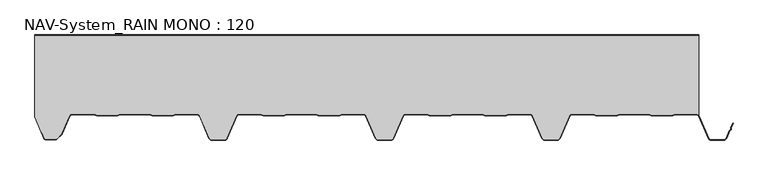
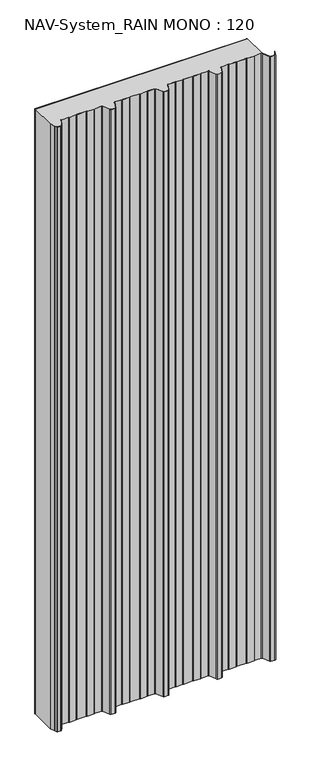
"""IFC4 building model written with IfcOpenShell, lengths in millimetres: plate geometry, NAV-System_RAIN MONO : 120."""

from ifc_helpers import new_model, si_unit, point, frame_2d, origin, origin_with_axes, place, context, project, spatial, polyline, circle_curve, trimmed, segment, composite_curve, outline, extrude, source, transform, mapped, element, save


def nav_system_rain_mono_120_0b7bdaaf(model_context):
    return source(origin(), model_context, "Body", "SweptSolid", [
        extrude(outline(polyline([(519.0, -0.8), (-478.0, -0.8), (-478.0, 0.0), (519.0, 0.0), (519.0, -0.8)])), origin_with_axes(), (0.0, 0.0, 1.0), 3000.0),
        extrude(outline(composite_curve([segment(trimmed(circle_curve(frame_2d((515.5898022, -124.0)), 4.8), [point((519.0, -120.6220493))], [point((515.5898022, -119.2))], True, "CARTESIAN"), True, "CONTINUOUS"), segment(polyline([(515.5898022, -119.2), (483.6922468, -119.2), (479.6508228, -120.7), (448.0723788, -120.6741102), (444.1768702, -119.2), (400.3589135, -119.2), (396.3174895, -120.7), (364.7390455, -120.6741102), (360.8435369, -119.2), (328.9416341, -119.2)]), True, "CONTINUOUS"), segment(trimmed(circle_curve(frame_2d((328.9416341, -124.0)), 4.8), [point((328.9416341, -119.2))], [point((324.5314363, -122.1052295))], True, "CARTESIAN"), True, "CONTINUOUS"), segment(polyline([(324.5314363, -122.1052295), (310.330878, -155.1579242)]), True, "CONTINUOUS"), segment(trimmed(circle_curve(frame_2d((306.4719549, -153.5)), 4.2), [point((310.330878, -155.1579242))], [point((306.4719549, -157.7))], False, "CARTESIAN"), True, "CONTINUOUS"), segment(polyline([(306.4719549, -157.7), (288.0594814, -157.7)]), True, "CONTINUOUS"), segment(trimmed(circle_curve(frame_2d((288.0594814, -153.5)), 4.2), [point((288.0594814, -157.7))], [point((284.2005583, -155.1579242))], False, "CARTESIAN"), True, "CONTINUOUS"), segment(polyline([(284.2005583, -155.1579242), (270.0, -122.1052295)]), True, "CONTINUOUS"), segment(trimmed(circle_curve(frame_2d((265.5898022, -124.0)), 4.8), [point((270.0, -122.1052295))], [point((265.5898022, -119.2))], True, "CARTESIAN"), True, "CONTINUOUS"), segment(polyline([(265.5898022, -119.2), (233.6922468, -119.2), (229.6508228, -120.7), (198.0723788, -120.6741102), (194.1768702, -119.2), (150.3589135, -119.2), (146.3174895, -120.7), (114.8074622, -120.7), (110.8435369, -119.2), (78.9416341, -119.2)]), True, "CONTINUOUS"), segment(trimmed(circle_curve(frame_2d((78.9416341, -124.0)), 4.8), [point((78.9416341, -119.2))], [point((74.5314363, -122.1052295))], True, "CARTESIAN"), True, "CONTINUOUS"), segment(polyline([(74.5314363, -122.1052295), (60.330878, -155.1579242)]), True, "CONTINUOUS"), segment(trimmed(circle_curve(frame_2d((56.4719549, -153.5)), 4.2), [point((60.330878, -155.1579242))], [point((56.4719549, -157.7))], False, "CARTESIAN"), True, "CONTINUOUS"), segment(polyline([(56.4719549, -157.7), (38.0594814, -157.7)]), True, "CONTINUOUS"), segment(trimmed(circle_curve(frame_2d((38.0594814, -153.5)), 4.2), [point((38.0594814, -157.7))], [point((34.2005583, -155.1579242))], False, "CARTESIAN"), True, "CONTINUOUS"), segment(polyline([(34.2005583, -155.1579242), (20.0, -122.1052295)]), True, "CONTINUOUS"), segment(trimmed(circle_curve(frame_2d((15.5898022, -124.0)), 4.8), [point((20.0, -122.1052295))], [point((15.5898022, -119.2))], True, "CARTESIAN"), True, "CONTINUOUS"), segment(polyline([(15.5898022, -119.2), (-16.3077532, -119.2), (-20.3491772, -120.7), (-51.9276212, -120.6741102), (-55.8231298, -119.2), (-99.6410865, -119.2), (-103.6825105, -120.7), (-135.1925378, -120.7), (-139.1564631, -119.2), (-171.0583659, -119.2)]), True, "CONTINUOUS"), segment(trimmed(circle_curve(frame_2d((-171.0583659, -124.0)), 4.8), [point((-171.0583659, -119.2))], [point((-175.4685637, -122.1052295))], True, "CARTESIAN"), True, "CONTINUOUS"), segment(polyline([(-175.4685637, -122.1052295), (-189.669122, -155.1579242)]), True, "CONTINUOUS"), segment(trimmed(circle_curve(frame_2d((-193.5280451, -153.5)), 4.2), [point((-189.669122, -155.1579242))], [point((-193.5280451, -157.7))], False, "CARTESIAN"), True, "CONTINUOUS"), segment(polyline([(-193.5280451, -157.7), (-211.9405186, -157.7)]), True, "CONTINUOUS"), segment(trimmed(circle_curve(frame_2d((-211.9405186, -153.5)), 4.2), [point((-211.9405186, -157.7))], [point((-215.7994417, -155.1579242))], False, "CARTESIAN"), True, "CONTINUOUS"), segment(polyline([(-215.7994417, -155.1579242), (-230.0, -122.1052295)]), True, "CONTINUOUS"), segment(trimmed(circle_curve(frame_2d((-234.4101978, -124.0)), 4.8), [point((-230.0, -122.1052295))], [point((-234.4101978, -119.2))], True, "CARTESIAN"), True, "CONTINUOUS"), segment(polyline([(-234.4101978, -119.2), (-266.3077532, -119.2), (-270.3491772, -120.7), (-301.9276212, -120.6741102), (-305.8231298, -119.2), (-349.6410865, -119.2), (-353.6825105, -120.7), (-385.1925378, -120.7), (-389.1564631, -119.2), (-421.9290751, -119.2)]), True, "CONTINUOUS"), segment(trimmed(circle_curve(frame_2d((-421.9290751, -124.0)), 4.8), [point((-421.9290751, -119.2))], [point((-426.3392729, -122.1052295))], True, "CARTESIAN"), True, "CONTINUOUS"), segment(polyline([(-426.3392729, -122.1052295), (-437.4245651, -147.9069459)]), True, "CONTINUOUS"), segment(trimmed(circle_curve(frame_2d((-441.2834882, -146.2490217)), 4.2), [point((-437.4245651, -147.9069459))], [point((-438.3136397, -149.2188701))], False, "CARTESIAN"), True, "CONTINUOUS"), segment(polyline([(-438.3136397, -149.2188701), (-444.764618, -155.6698485)]), True, "CONTINUOUS"), segment(trimmed(circle_curve(frame_2d((-447.7344665, -152.7)), 4.2), [point((-444.764618, -155.6698485))], [point((-447.7344665, -156.9))], False, "CARTESIAN"), True, "CONTINUOUS"), segment(polyline([(-447.7344665, -156.9), (-461.1405186, -156.9)]), True, "CONTINUOUS"), segment(trimmed(circle_curve(frame_2d((-461.1405186, -153.7)), 3.2), [point((-461.1405186, -156.9))], [point((-464.1022482, -154.9116756))], False, "CARTESIAN"), True, "CONTINUOUS"), segment(polyline([(-464.1022482, -154.9116756), (-467.6292254, -146.2905951), (-468.3696578, -146.593514), (-478.0, -123.053822), (-478.0, -0.8), (519.0, -0.8), (519.0, -120.6220493)]), True, "CONTINUOUS")], self_intersect=False)), origin_with_axes(), (0.0, 0.0, 1.0), 3000.0),
        extrude(outline(composite_curve([segment(polyline([(-464.8430228, -155.2145945), (-468.37, -146.593514), (-467.6295676, -146.2905951), (-464.1025904, -154.9116756)]), True, "CONTINUOUS"), segment(trimmed(circle_curve(frame_2d((-461.1408608, -153.7)), 3.2), [point((-464.1025904, -154.9116756))], [point((-461.1408608, -156.9))], True, "CARTESIAN"), True, "CONTINUOUS"), segment(polyline([(-461.1408608, -156.9), (-447.7348087, -156.9)]), True, "CONTINUOUS"), segment(trimmed(circle_curve(frame_2d((-447.7348087, -152.7)), 4.2), [point((-447.7348087, -156.9))], [point((-444.7649603, -155.6698485))], True, "CARTESIAN"), True, "CONTINUOUS"), segment(polyline([(-444.7649603, -155.6698485), (-438.3139819, -149.2188701)]), True, "CONTINUOUS"), segment(trimmed(circle_curve(frame_2d((-441.2838304, -146.2490217)), 4.2), [point((-438.3139819, -149.2188701))], [point((-437.4249073, -147.9069459))], True, "CARTESIAN"), True, "CONTINUOUS"), segment(polyline([(-437.4249073, -147.9069459), (-426.3396151, -122.1052295)]), True, "CONTINUOUS"), segment(trimmed(circle_curve(frame_2d((-421.9294173, -124.0)), 4.8), [point((-426.3396151, -122.1052295))], [point((-421.9294173, -119.2))], False, "CARTESIAN"), True, "CONTINUOUS"), segment(polyline([(-421.9294173, -119.2), (-389.1568054, -119.2), (-385.19288, -120.7), (-353.6828527, -120.7), (-349.6414287, -119.2), (-305.8234721, -119.2), (-301.9279634, -120.6741102), (-270.3495194, -120.7), (-266.3080954, -119.2), (-234.41054, -119.2)]), True, "CONTINUOUS"), segment(trimmed(circle_curve(frame_2d((-234.41054, -124.0)), 4.8), [point((-234.41054, -119.2))], [point((-230.0003422, -122.1052295))], False, "CARTESIAN"), True, "CONTINUOUS"), segment(polyline([(-230.0003422, -122.1052295), (-215.7997839, -155.1579242)]), True, "CONTINUOUS"), segment(trimmed(circle_curve(frame_2d((-211.9408608, -153.5)), 4.2), [point((-215.7997839, -155.1579242))], [point((-211.9408608, -157.7))], True, "CARTESIAN"), True, "CONTINUOUS"), segment(polyline([(-211.9408608, -157.7), (-193.5283873, -157.7)]), True, "CONTINUOUS"), segment(trimmed(circle_curve(frame_2d((-193.5283873, -153.5)), 4.2), [point((-193.5283873, -157.7))], [point((-189.6694642, -155.1579242))], True, "CARTESIAN"), True, "CONTINUOUS"), segment(polyline([(-189.6694642, -155.1579242), (-175.4689059, -122.1052295)]), True, "CONTINUOUS"), segment(trimmed(circle_curve(frame_2d((-171.0587081, -124.0)), 4.8), [point((-175.4689059, -122.1052295))], [point((-171.0587081, -119.2))], False, "CARTESIAN"), True, "CONTINUOUS"), segment(polyline([(-171.0587081, -119.2), (-139.1568054, -119.2), (-135.2612967, -120.6741102), (-103.6828527, -120.7), (-99.6414287, -119.2), (-55.8234721, -119.2), (-51.9279634, -120.6741102), (-20.3495194, -120.7), (-16.3080954, -119.2), (15.58946, -119.2)]), True, "CONTINUOUS"), segment(trimmed(circle_curve(frame_2d((15.58946, -124.0)), 4.8), [point((15.58946, -119.2))], [point((19.9996578, -122.1052295))], False, "CARTESIAN"), True, "CONTINUOUS"), segment(polyline([(19.9996578, -122.1052295), (34.2002161, -155.1579242)]), True, "CONTINUOUS"), segment(trimmed(circle_curve(frame_2d((38.0591392, -153.5)), 4.2), [point((34.2002161, -155.1579242))], [point((38.0591392, -157.7))], True, "CARTESIAN"), True, "CONTINUOUS"), segment(polyline([(38.0591392, -157.7), (56.4716127, -157.7)]), True, "CONTINUOUS"), segment(trimmed(circle_curve(frame_2d((56.4716127, -153.5)), 4.2), [point((56.4716127, -157.7))], [point((60.3305358, -155.1579242))], True, "CARTESIAN"), True, "CONTINUOUS"), segment(polyline([(60.3305358, -155.1579242), (74.5310941, -122.1052295)]), True, "CONTINUOUS"), segment(trimmed(circle_curve(frame_2d((78.9412919, -124.0)), 4.8), [point((74.5310941, -122.1052295))], [point((78.9412919, -119.2))], False, "CARTESIAN"), True, "CONTINUOUS"), segment(polyline([(78.9412919, -119.2), (110.8431946, -119.2), (114.7387033, -120.6741102), (146.3171473, -120.7), (150.3585713, -119.2), (194.1765279, -119.2), (198.0720366, -120.6741102), (229.6504806, -120.7), (233.6919046, -119.2), (265.58946, -119.2)]), True, "CONTINUOUS"), segment(trimmed(circle_curve(frame_2d((265.58946, -124.0)), 4.8), [point((265.58946, -119.2))], [point((269.9996578, -122.1052295))], False, "CARTESIAN"), True, "CONTINUOUS"), segment(polyline([(269.9996578, -122.1052295), (284.2002161, -155.1579242)]), True, "CONTINUOUS"), segment(trimmed(circle_curve(frame_2d((288.0591392, -153.5)), 4.2), [point((284.2002161, -155.1579242))], [point((288.0591392, -157.7))], True, "CARTESIAN"), True, "CONTINUOUS"), segment(polyline([(288.0591392, -157.7), (306.4716127, -157.7)]), True, "CONTINUOUS"), segment(trimmed(circle_curve(frame_2d((306.4716127, -153.5)), 4.2), [point((306.4716127, -157.7))], [point((310.3305358, -155.1579242))], True, "CARTESIAN"), True, "CONTINUOUS"), segment(polyline([(310.3305358, -155.1579242), (324.5310941, -122.1052295)]), True, "CONTINUOUS"), segment(trimmed(circle_curve(frame_2d((328.9412919, -124.0)), 4.8), [point((324.5310941, -122.1052295))], [point((328.9412919, -119.2))], False, "CARTESIAN"), True, "CONTINUOUS"), segment(polyline([(328.9412919, -119.2), (360.8431946, -119.2), (364.7387033, -120.6741102), (396.3171473, -120.7), (400.3585713, -119.2), (444.1765279, -119.2), (448.0720366, -120.6741102), (479.6504806, -120.7), (483.6919046, -119.2), (515.58946, -119.2)]), True, "CONTINUOUS"), segment(trimmed(circle_curve(frame_2d((515.58946, -124.0)), 4.8), [point((515.58946, -119.2))], [point((519.9996578, -122.1052295))], False, "CARTESIAN"), True, "CONTINUOUS"), segment(polyline([(519.9996578, -122.1052295), (534.2002161, -155.1579242)]), True, "CONTINUOUS"), segment(trimmed(circle_curve(frame_2d((538.0591392, -153.5)), 4.2), [point((534.2002161, -155.1579242))], [point((538.0591392, -157.7))], True, "CARTESIAN"), True, "CONTINUOUS"), segment(polyline([(538.0591392, -157.7), (556.4716127, -157.7)]), True, "CONTINUOUS"), segment(trimmed(circle_curve(frame_2d((556.4716127, -153.5)), 4.2), [point((556.4716127, -157.7))], [point((560.3305358, -155.1579242))], True, "CARTESIAN"), True, "CONTINUOUS"), segment(polyline([(560.3305358, -155.1579242), (565.2356202, -143.741031), (567.1121268, -142.0654564), (567.0358547, -139.5508717), (570.0831709, -132.458051), (570.8182039, -132.7738461), (567.8408612, -139.703799), (567.9230626, -142.4138642), (565.9006789, -144.2196957), (561.0655687, -155.4737193)]), True, "CONTINUOUS"), segment(trimmed(circle_curve(frame_2d((556.4716127, -153.5)), 5.0), [point((561.0655687, -155.4737193))], [point((556.4716127, -158.5))], False, "CARTESIAN"), True, "CONTINUOUS"), segment(polyline([(556.4716127, -158.5), (538.0591392, -158.5)]), True, "CONTINUOUS"), segment(trimmed(circle_curve(frame_2d((538.0591392, -153.5)), 5.0), [point((538.0591392, -158.5))], [point((533.4651831, -155.4737193))], False, "CARTESIAN"), True, "CONTINUOUS"), segment(polyline([(533.4651831, -155.4737193), (519.2646248, -122.4210246)]), True, "CONTINUOUS"), segment(trimmed(circle_curve(frame_2d((515.58946, -124.0)), 4.0), [point((519.2646248, -122.4210246))], [point((515.58946, -120.0))], True, "CARTESIAN"), True, "CONTINUOUS"), segment(polyline([(515.58946, -120.0), (483.8338601, -120.0), (479.8699347, -121.5), (447.9941505, -121.5), (444.0302251, -120.0), (400.5005268, -120.0), (396.5366014, -121.5), (364.6608172, -121.5), (360.6968918, -120.0), (328.9412919, -120.0)]), True, "CONTINUOUS"), segment(trimmed(circle_curve(frame_2d((328.9412919, -124.0)), 4.0), [point((328.9412919, -120.0))], [point((325.2661271, -122.4210246))], True, "CARTESIAN"), True, "CONTINUOUS"), segment(polyline([(325.2661271, -122.4210246), (311.0655687, -155.4737193)]), True, "CONTINUOUS"), segment(trimmed(circle_curve(frame_2d((306.4716127, -153.5)), 5.0), [point((311.0655687, -155.4737193))], [point((306.4716127, -158.5))], False, "CARTESIAN"), True, "CONTINUOUS"), segment(polyline([(306.4716127, -158.5), (288.0591392, -158.5)]), True, "CONTINUOUS"), segment(trimmed(circle_curve(frame_2d((288.0591392, -153.5)), 5.0), [point((288.0591392, -158.5))], [point((283.4651831, -155.4737193))], False, "CARTESIAN"), True, "CONTINUOUS"), segment(polyline([(283.4651831, -155.4737193), (269.2646248, -122.4210246)]), True, "CONTINUOUS"), segment(trimmed(circle_curve(frame_2d((265.58946, -124.0)), 4.0), [point((269.2646248, -122.4210246))], [point((265.58946, -120.0))], True, "CARTESIAN"), True, "CONTINUOUS"), segment(polyline([(265.58946, -120.0), (233.8338601, -120.0), (229.8699347, -121.5), (197.9941505, -121.5), (194.0302251, -120.0), (150.5005268, -120.0), (146.5366014, -121.5), (114.6608172, -121.5), (110.6968918, -120.0), (78.9412919, -120.0)]), True, "CONTINUOUS"), segment(trimmed(circle_curve(frame_2d((78.9412919, -124.0)), 4.0), [point((78.9412919, -120.0))], [point((75.2661271, -122.4210246))], True, "CARTESIAN"), True, "CONTINUOUS"), segment(polyline([(75.2661271, -122.4210246), (61.0655687, -155.4737193)]), True, "CONTINUOUS"), segment(trimmed(circle_curve(frame_2d((56.4716127, -153.5)), 5.0), [point((61.0655687, -155.4737193))], [point((56.4716127, -158.5))], False, "CARTESIAN"), True, "CONTINUOUS"), segment(polyline([(56.4716127, -158.5), (38.0591392, -158.5)]), True, "CONTINUOUS"), segment(trimmed(circle_curve(frame_2d((38.0591392, -153.5)), 5.0), [point((38.0591392, -158.5))], [point((33.4651831, -155.4737193))], False, "CARTESIAN"), True, "CONTINUOUS"), segment(polyline([(33.4651831, -155.4737193), (19.2646248, -122.4210246)]), True, "CONTINUOUS"), segment(trimmed(circle_curve(frame_2d((15.58946, -124.0)), 4.0), [point((19.2646248, -122.4210246))], [point((15.58946, -120.0))], True, "CARTESIAN"), True, "CONTINUOUS"), segment(polyline([(15.58946, -120.0), (-16.1661399, -120.0), (-20.1300653, -121.5), (-52.0058495, -121.5), (-55.9697749, -120.0), (-99.4994732, -120.0), (-103.4633986, -121.5), (-135.3391828, -121.5), (-139.3031082, -120.0), (-171.0587081, -120.0)]), True, "CONTINUOUS"), segment(trimmed(circle_curve(frame_2d((-171.0587081, -124.0)), 4.0), [point((-171.0587081, -120.0))], [point((-174.7338729, -122.4210246))], True, "CARTESIAN"), True, "CONTINUOUS"), segment(polyline([(-174.7338729, -122.4210246), (-188.9344313, -155.4737193)]), True, "CONTINUOUS"), segment(trimmed(circle_curve(frame_2d((-193.5283873, -153.5)), 5.0), [point((-188.9344313, -155.4737193))], [point((-193.5283873, -158.5))], False, "CARTESIAN"), True, "CONTINUOUS"), segment(polyline([(-193.5283873, -158.5), (-211.9408608, -158.5)]), True, "CONTINUOUS"), segment(trimmed(circle_curve(frame_2d((-211.9408608, -153.5)), 5.0), [point((-211.9408608, -158.5))], [point((-216.5348169, -155.4737193))], False, "CARTESIAN"), True, "CONTINUOUS"), segment(polyline([(-216.5348169, -155.4737193), (-230.7353752, -122.4210246)]), True, "CONTINUOUS"), segment(trimmed(circle_curve(frame_2d((-234.41054, -124.0)), 4.0), [point((-230.7353752, -122.4210246))], [point((-234.41054, -120.0))], True, "CARTESIAN"), True, "CONTINUOUS"), segment(polyline([(-234.41054, -120.0), (-266.1661399, -120.0), (-270.1300653, -121.5), (-302.0058495, -121.5), (-305.9697749, -120.0), (-349.4994732, -120.0), (-353.4633986, -121.5), (-385.3391828, -121.5), (-389.3031082, -120.0), (-421.9294173, -120.0)]), True, "CONTINUOUS"), segment(trimmed(circle_curve(frame_2d((-421.9294173, -124.0)), 4.0), [point((-421.9294173, -120.0))], [point((-425.6045822, -122.4210246))], True, "CARTESIAN"), True, "CONTINUOUS"), segment(polyline([(-425.6045822, -122.4210246), (-436.6898744, -148.2227409)]), True, "CONTINUOUS"), segment(trimmed(circle_curve(frame_2d((-441.2838304, -146.2490217)), 5.0), [point((-436.6898744, -148.2227409))], [point((-437.7482965, -149.7845556))], False, "CARTESIAN"), True, "CONTINUOUS"), segment(polyline([(-437.7482965, -149.7845556), (-444.1992748, -156.2355339)]), True, "CONTINUOUS"), segment(trimmed(circle_curve(frame_2d((-447.7348087, -152.7)), 5.0), [point((-444.1992748, -156.2355339))], [point((-447.7348087, -157.7))], False, "CARTESIAN"), True, "CONTINUOUS"), segment(polyline([(-447.7348087, -157.7), (-461.1408608, -157.7)]), True, "CONTINUOUS"), segment(trimmed(circle_curve(frame_2d((-461.1408608, -153.7)), 4.0), [point((-461.1408608, -157.7))], [point((-464.8430228, -155.2145945))], False, "CARTESIAN"), True, "CONTINUOUS")], self_intersect=False)), origin_with_axes(), (0.0, 0.0, 1.0), 3000.0),
    ])


if __name__ == "__main__":
    model = new_model("IFC4")
    model_context = context("Model", 3, world=origin())
    ifc_project = project(units=[si_unit("LENGTHUNIT", "METRE", prefix="MILLI")], contexts=[model_context])
    site = spatial("IfcSite", under=ifc_project)
    building = spatial("IfcBuilding", under=site)
    placement = place(None, origin())
    nav_system_rain_mono_120_shape = nav_system_rain_mono_120_0b7bdaaf(model_context)
    element("IfcPlate", 1, ObjectType="NAV-System_RAIN MONO : 120", at=placement, inside=building, context=model_context, shape_type="MappedRepresentation", body=[
        mapped(nav_system_rain_mono_120_shape, transform((0.0, 0.0, 0.0), x_axis=(1.0, 0.0, 0.0), y_axis=(0.0, 1.0, 0.0), z_axis=(0.0, 0.0, 1.0))),
    ])
    save(model, "model.ifc")
